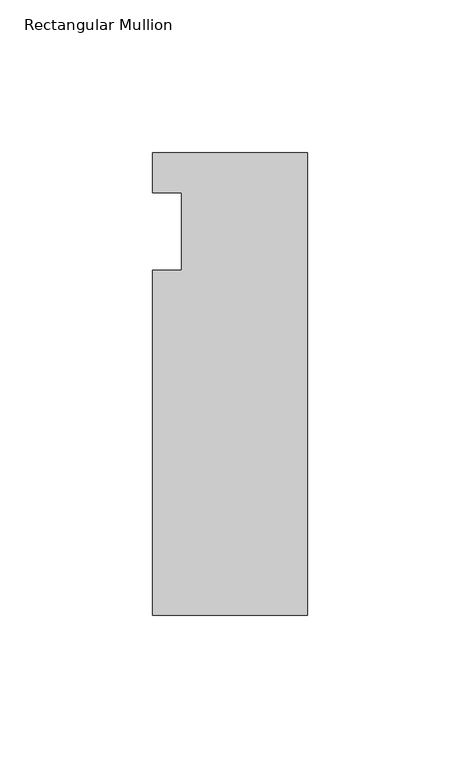
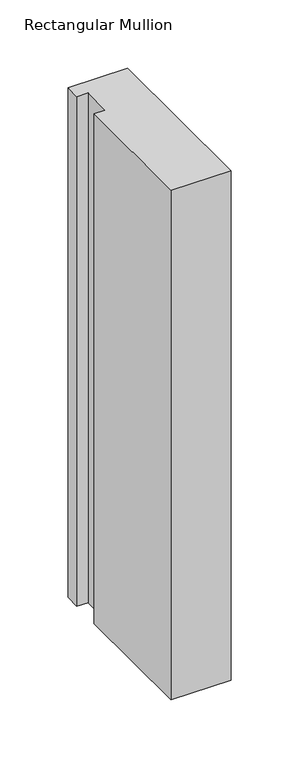
"""IFC4 building model written with IfcOpenShell, lengths in millimetres: member geometry, Rectangular Mullion."""

import ifcopenshell
import ifcopenshell.guid

model = None  # the IFC model being written
_history = None  # IfcOwnerHistory: only IFC2X3 demands one
_inside = {}  # id of a spatial element -> (the spatial element, [elements in it])
_under = {}  # id of a project, library or spatial element -> (it, [spatial elements below it])
_declared = {}  # id of a project -> (the project, [libraries it declares])
_typed = {}  # id of a type object -> (the type object, [elements of that type])
_made_of = {}  # id of a material, layer set ... -> (it, [elements and type objects made of it])


def new_model(schema):
    """Start an empty IFC model of exactly this schema.

    Asked for "IFC4X3", IfcOpenShell would pick the latest addendum, in which some entities
    have other attributes; the version numbers below select the first issue.
    IFC2X3 requires an IfcOwnerHistory on every rooted entity: one is made here for all.
    """
    global model, _history
    if schema == "IFC4X3":
        model = ifcopenshell.file(schema_version=(4, 3, 0, 0))
    else:
        model = ifcopenshell.file(schema=schema)
    _inside.clear()
    _under.clear()
    _declared.clear()
    _typed.clear()
    _made_of.clear()
    _history = None
    if model.schema == "IFC2X3":
        org = make("IfcOrganization", Name="unknown")
        user = make(
            "IfcPersonAndOrganization",
            ThePerson=make("IfcPerson", FamilyName="unknown"),
            TheOrganization=org,
        )
        app = make(
            "IfcApplication",
            ApplicationDeveloper=org,
            Version="unknown",
            ApplicationFullName="unknown",
            ApplicationIdentifier="unknown",
        )
        _history = make(
            "IfcOwnerHistory",
            OwningUser=user,
            OwningApplication=app,
            ChangeAction="ADDED",
            CreationDate=0,
        )
    return model


def make(cls, **values):
    """One entity of the class cls with the attributes given. An attribute that is None is left unset."""
    return model.create_entity(
        cls, **{name: value for name, value in values.items() if value is not None}
    )


def rooted(cls, **values):
    """An entity with a GlobalId (a new one), such as an element, a storey or a relation."""
    return make(cls, GlobalId=ifcopenshell.guid.new(), OwnerHistory=_history, **values)


def si_unit(unit_type, name, prefix=None):
    """IfcSIUnit, for example si_unit("LENGTHUNIT", "METRE", prefix="MILLI")."""
    return make("IfcSIUnit", UnitType=unit_type, Prefix=prefix, Name=name)


def assignment(units):
    """IfcUnitAssignment: the units of a project."""
    return None if units is None else make("IfcUnitAssignment", Units=units)


def point(xyz):
    """IfcCartesianPoint."""
    return None if xyz is None else make("IfcCartesianPoint", Coordinates=xyz)


def direction(xyz):
    """IfcDirection."""
    return None if xyz is None else make("IfcDirection", DirectionRatios=xyz)


def frame(location, z_axis=None, x_axis=None):
    """IfcAxis2Placement3D, a coordinate frame: its origin and axes. An axis left out is left unset."""
    return make(
        "IfcAxis2Placement3D",
        Location=point(location),
        Axis=direction(z_axis),
        RefDirection=direction(x_axis),
    )


def origin():
    """The frame at (0, 0, 0) with its axes left unset."""
    return frame((0.0, 0.0, 0.0))


def place(relative_to, where):
    """IfcLocalPlacement: puts the frame where relative to a parent placement (None: the world)."""
    return make(
        "IfcLocalPlacement", PlacementRelTo=relative_to, RelativePlacement=where
    )


def context(
    kind, dimensions, precision=None, world=None, true_north=None, identifier=None
):
    """IfcGeometricRepresentationContext, for example the 3D "Model" context."""
    return make(
        "IfcGeometricRepresentationContext",
        ContextIdentifier=identifier,
        ContextType=kind,
        CoordinateSpaceDimension=dimensions,
        Precision=precision,
        WorldCoordinateSystem=world,
        TrueNorth=true_north,
    )


def project(units=None, contexts=None):
    """IfcProject with its units and contexts."""
    return rooted(
        "IfcProject",
        Name="project",
        RepresentationContexts=contexts,
        UnitsInContext=assignment(units),
    )


def spatial(cls, under=None, at=None, **own):
    """A site, building, storey or space (cls), placed at a placement, below another one or the project."""
    s = rooted(cls, ObjectPlacement=at, **own)
    if under is not None:
        _under.setdefault(under.id(), (under, []))[1].append(s)
    return s


def polyline(points):
    """IfcPolyline through the points."""
    return make("IfcPolyline", Points=[point(p) for p in points])


def outline(outer, holes=None, kind="AREA"):
    """IfcArbitraryClosedProfileDef: a profile drawn as a closed curve; with holes, ...WithVoids."""
    if holes is None:
        return make("IfcArbitraryClosedProfileDef", ProfileType=kind, OuterCurve=outer)
    return make(
        "IfcArbitraryProfileDefWithVoids",
        ProfileType=kind,
        OuterCurve=outer,
        InnerCurves=holes,
    )


def extrude(swept, where, along, depth):
    """IfcExtrudedAreaSolid: the profile swept, set in the frame where, extruded along a direction by depth."""
    return make(
        "IfcExtrudedAreaSolid",
        SweptArea=swept,
        Position=where,
        ExtrudedDirection=direction(along),
        Depth=depth,
    )


def shape(context_of_items, identifier, shape_type, items):
    """IfcShapeRepresentation: the items that make up one representation, for example the "Body"."""
    return make(
        "IfcShapeRepresentation",
        ContextOfItems=context_of_items,
        RepresentationIdentifier=identifier,
        RepresentationType=shape_type,
        Items=items,
    )


def source(mapping_origin, context_of_items, identifier, shape_type, items):
    """IfcRepresentationMap: a shape defined once, which mapped items show again and again."""
    return make(
        "IfcRepresentationMap",
        MappingOrigin=mapping_origin,
        MappedRepresentation=shape(context_of_items, identifier, shape_type, items),
    )


def transform(
    local_origin,
    x_axis=None,
    y_axis=None,
    z_axis=None,
    scale=None,
    scale2=None,
    scale3=None,
    uniform=True,
):
    """IfcCartesianTransformationOperator3D, or its non-uniform kind. x_axis, y_axis, z_axis: its Axis1, 2, 3."""
    if uniform:
        return make(
            "IfcCartesianTransformationOperator3D",
            Axis1=direction(x_axis),
            Axis2=direction(y_axis),
            LocalOrigin=point(local_origin),
            Scale=scale,
            Axis3=direction(z_axis),
        )
    return make(
        "IfcCartesianTransformationOperator3DnonUniform",
        Axis1=direction(x_axis),
        Axis2=direction(y_axis),
        LocalOrigin=point(local_origin),
        Scale=scale,
        Axis3=direction(z_axis),
        Scale2=scale2,
        Scale3=scale3,
    )


def mapped(mapping_source, mapping_target):
    """IfcMappedItem: shows the shape of a source again, moved by a transform."""
    return make(
        "IfcMappedItem", MappingSource=mapping_source, MappingTarget=mapping_target
    )


def made_of(thing, what):
    """Note that an element or type object is made of a material, layer set ...; save() writes the relation."""
    if what is not None:
        _made_of.setdefault(what.id(), (what, []))[1].append(thing)
    return thing


def element(
    cls,
    number,
    at=None,
    inside=None,
    cuts=None,
    type_object=None,
    material=None,
    context=None,
    identifier="Body",
    shape_type=None,
    held_by="IfcProductDefinitionShape",
    body=None,
    shapes=None,
    **own,
):
    """One element of the class cls, such as IfcWall. Its Tag is "e" and its number.

    at: its placement. inside: the storey or other place that contains it. cuts: it is an
    opening in that element (IfcRelVoidsElement). A single representation is given by context,
    identifier, shape_type and body (its items); several are given by shapes. held_by: the class
    of the entity that holds the representations. save() writes the other relations.
    """
    e = rooted(cls, Tag="e%d" % number, ObjectPlacement=at, **own)
    if body is not None:
        shapes = [shape(context, identifier, shape_type, body)]
    if shapes is not None:
        e.Representation = make(held_by, Representations=shapes)
    if inside is not None:
        _inside.setdefault(inside.id(), (inside, []))[1].append(e)
    if cuts is not None:
        rooted(
            "IfcRelVoidsElement", RelatingBuildingElement=cuts, RelatedOpeningElement=e
        )
    if type_object is not None:
        _typed.setdefault(type_object.id(), (type_object, []))[1].append(e)
    return made_of(e, material)


def aggregate(whole, parts):
    """IfcRelAggregates: a whole, such as a stair, and the parts it consists of."""
    return rooted("IfcRelAggregates", RelatingObject=whole, RelatedObjects=parts)


def save(model, path):
    """Write the relations noted so far, then the file.

    IfcRelAggregates (storeys below a building ...), IfcRelContainedInSpatialStructure (elements
    in a storey), IfcRelDefinesByType, IfcRelAssociatesMaterial and IfcRelDeclares: one each for
    every whole, place, type object, material and project.
    """
    for whole, parts in _under.values():
        aggregate(whole, parts)
    for where, things in _inside.values():
        rooted(
            "IfcRelContainedInSpatialStructure",
            RelatedElements=things,
            RelatingStructure=where,
        )
    for kind, things in _typed.values():
        rooted("IfcRelDefinesByType", RelatedObjects=things, RelatingType=kind)
    for what, things in _made_of.values():
        rooted("IfcRelAssociatesMaterial", RelatedObjects=things, RelatingMaterial=what)
    for by, libraries in _declared.values():
        rooted("IfcRelDeclares", RelatingContext=by, RelatedDefinitions=libraries)
    model.write(path)


def rectangular_mullion_9bfa3d75(model_context):
    return source(origin(), model_context, "Body", "SweptSolid", [
        extrude(outline(polyline([(-25.4, 25.796875), (25.4, 25.796875), (25.4, -125.809375), (-25.4, -125.809375), (-25.4, -12.7), (-15.875, -12.7), (-15.875, 12.7), (-25.4, 12.7), (-25.4, 25.796875)])), frame((0.0, 0.0, -457.2), z_axis=(0.0, 0.0, 1.0), x_axis=(1.0, 0.0, 0.0)), (0.0, 0.0, 1.0), 457.2),
    ])


if __name__ == "__main__":
    model = new_model("IFC4")
    model_context = context("Model", 3, world=origin())
    ifc_project = project(units=[si_unit("LENGTHUNIT", "METRE", prefix="MILLI")], contexts=[model_context])
    site = spatial("IfcSite", under=ifc_project)
    building = spatial("IfcBuilding", under=site)
    placement = place(None, origin())
    rectangular_mullion_shape = rectangular_mullion_9bfa3d75(model_context)
    element("IfcMember", 1, ObjectType="Rectangular Mullion", at=placement, inside=building, context=model_context, shape_type="MappedRepresentation", body=[
        mapped(rectangular_mullion_shape, transform((0.0, 0.0, 0.0), x_axis=(1.0, 0.0, 0.0), y_axis=(0.0, 1.0, 0.0), z_axis=(0.0, 0.0, 1.0))),
    ])
    save(model, "model.ifc")
